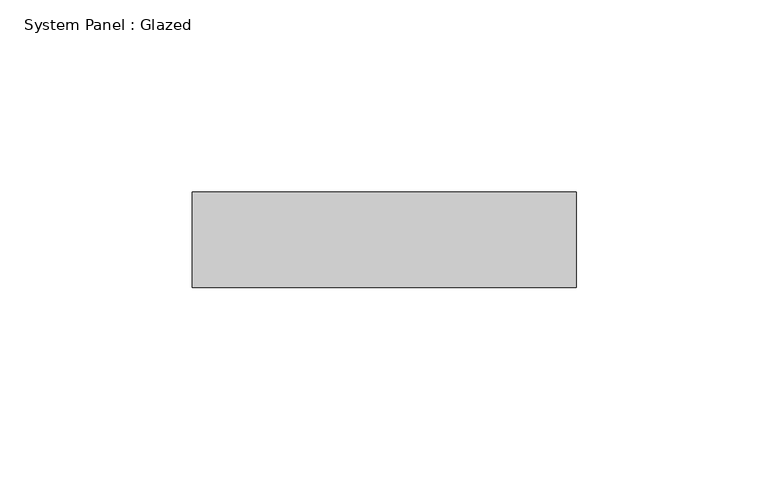
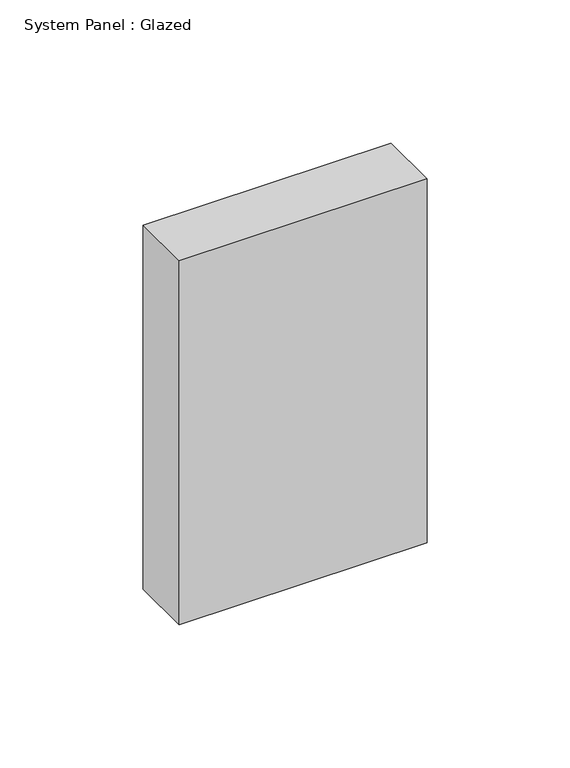
"""IFC4 building model written with IfcOpenShell, lengths in millimetres: plate geometry, System Panel : Glazed."""

from ifc_helpers import new_model, si_unit, origin, origin_with_axes, place, context, project, spatial, polyline, outline, extrude, source, transform, mapped, element, save


def system_panel_glazed_44edcd6a(model_context):
    return source(origin(), model_context, "Body", "SweptSolid", [
        extrude(outline(polyline([(50.0, -49.5), (-50.0, -49.5), (-50.0, -24.5), (50.0, -24.5), (50.0, -49.5)])), origin_with_axes(), (0.0, 0.0, 1.0), 155.0),
    ])


if __name__ == "__main__":
    model = new_model("IFC4")
    model_context = context("Model", 3, world=origin())
    ifc_project = project(units=[si_unit("LENGTHUNIT", "METRE", prefix="MILLI")], contexts=[model_context])
    site = spatial("IfcSite", under=ifc_project)
    building = spatial("IfcBuilding", under=site)
    placement = place(None, origin())
    system_panel_glazed_shape = system_panel_glazed_44edcd6a(model_context)
    element("IfcPlate", 1, ObjectType="System Panel : Glazed", at=placement, inside=building, context=model_context, shape_type="MappedRepresentation", body=[
        mapped(system_panel_glazed_shape, transform((0.0, 0.0, 0.0), x_axis=(1.0, 0.0, 0.0), y_axis=(0.0, 1.0, 0.0), z_axis=(0.0, 0.0, 1.0))),
    ])
    save(model, "model.ifc")
